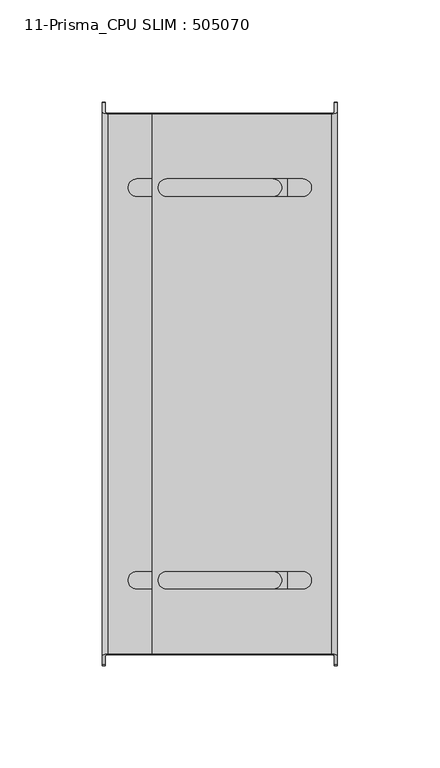
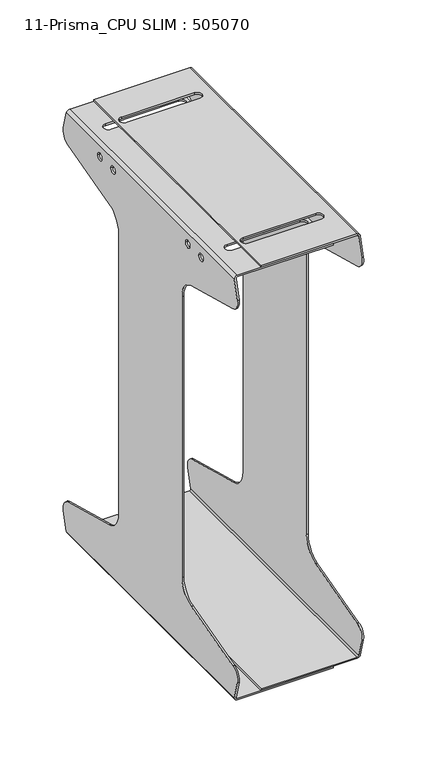
"""IFC4 building model written with IfcOpenShell, lengths in millimetres: furniture geometry, 11-Prisma_CPU SLIM : 505070."""

from ifc_helpers import new_model, si_unit, frame, origin, place, context, project, spatial, polyline, circle_curve, ellipse_curve, source, transform, mapped, element, save
from ifc_brep_helpers import plane_surface, cylinder_surface, revolved_surface, advanced_brep


def furniture_11_prisma_cpu_slim_505070_f786727c(model_context):
    return source(origin(), model_context, "Body", "AdvancedBrep", [
        advanced_brep(
        [(74.75, -132.7653718, 408.5), (74.75, -137.4118095, 391.1592583), (74.75, -130.3407417, 378.9118095), (74.75, -64.8236191, 361.3565494), (74.75, -50.0, 342.0380329), (74.75, -50.0, 70.9619671), (74.75, -64.8236191, 51.6434506), (74.75, -130.3407417, 34.0881905), (74.75, -137.4118095, 21.8407417), (74.75, -132.7653718, 4.5), (74.75, 132.7653718, 4.5), (74.75, 137.4118095, 21.8407417), (74.75, 130.3407417, 34.0881905), (74.75, 64.8236191, 51.6434506), (74.75, 50.0, 70.9619671), (74.75, 50.0, 342.0380329), (74.75, 64.8236191, 361.3565494), (74.75, 130.3407417, 378.9118095), (74.75, 137.4118095, 391.1592583), (74.75, 132.7653718, 408.5), (74.75, 76.5, 398.0), (74.75, 83.5, 398.0), (74.75, 55.5, 398.0), (74.75, 62.5, 398.0), (74.75, -62.5, 398.0), (74.75, -55.5, 398.0), (74.75, -83.5, 398.0), (74.75, -76.5, 398.0), (71.75, -131.9615242, 1.5), (-15.75, -131.9615242, 1.5), (-15.75, 131.9615242, 1.5), (71.75, 131.9615242, 1.5), (-15.75, -132.363448, 3.0), (-15.75, 132.363448, 3.0), (71.75, -132.363448, 3.0), (71.75, 132.363448, 3.0), (73.25, -132.7653718, 4.5), (73.25, -137.4118095, 21.8407417), (73.25, -130.3407417, 34.0881905), (73.25, -64.8236191, 51.6434506), (73.25, -50.0, 70.9619671), (73.25, -50.0, 342.0380329), (73.25, -64.8236191, 361.3565494), (73.25, -130.3407417, 378.9118095), (73.25, -137.4118095, 391.1592583), (73.25, -132.7653718, 408.5), (73.25, 132.7653718, 408.5), (73.25, 137.4118095, 391.1592583), (73.25, 130.3407417, 378.9118095), (73.25, 64.8236191, 361.3565494), (73.25, 50.0, 342.0380329), (73.25, 50.0, 70.9619671), (73.25, 64.8236191, 51.6434506), (73.25, 130.3407417, 34.0881905), (73.25, 137.4118095, 21.8407417), (73.25, 132.7653718, 4.5), (73.25, 83.5, 398.0), (73.25, 76.5, 398.0), (73.25, 62.5, 398.0), (73.25, 55.5, 398.0), (73.25, -55.5, 398.0), (73.25, -62.5, 398.0), (73.25, -76.5, 398.0), (73.25, -83.5, 398.0), (71.75, -132.363448, 410.0), (-15.75, -132.363448, 410.0), (-15.75, 132.363448, 410.0), (71.75, 132.363448, 410.0), (-8.7, -91.75, 410.0), (-8.7, -100.25, 410.0), (57.8, -100.25, 410.0), (57.8, -91.75, 410.0), (-8.7, 100.25, 410.0), (-8.7, 91.75, 410.0), (57.8, 91.75, 410.0), (57.8, 100.25, 410.0), (-15.75, -131.9615242, 411.5), (-15.75, 131.9615242, 411.5), (71.75, -131.9615242, 411.5), (71.75, 131.9615242, 411.5), (57.8, -91.75, 411.5), (57.8, -100.25, 411.5), (-8.7, -100.25, 411.5), (-8.7, -91.75, 411.5), (57.8, 100.25, 411.5), (57.8, 91.75, 411.5), (-8.7, 91.75, 411.5), (-8.7, 100.25, 411.5)],
        [
            (0, 1),
            (1, 2, circle_curve(frame((74.75, -127.7525513, 388.5710678), z_axis=(1.0, 0.0, 0.0), x_axis=(0.0, 1.0, 0.0)), 10.0)),
            (2, 3),
            (3, 4, circle_curve(frame((74.75, -70.0, 342.0380329), z_axis=(-1.0, 0.0, 0.0), x_axis=(0.0, 1.0, 0.0)), 20.0)),
            (4, 5),
            (5, 6, circle_curve(frame((74.75, -70.0, 70.9619671), z_axis=(-1.0, 0.0, 0.0), x_axis=(0.0, 1.0, 0.0)), 20.0)),
            (6, 7),
            (7, 8, circle_curve(frame((74.75, -127.7525513, 24.4289322), z_axis=(1.0, 0.0, 0.0), x_axis=(0.0, 1.0, 0.0)), 10.0)),
            (8, 9),
            (9, 10),
            (10, 11),
            (11, 12, circle_curve(frame((74.75, 127.7525513, 24.4289322), z_axis=(1.0, 0.0, 0.0), x_axis=(0.0, 1.0, 0.0)), 10.0)),
            (12, 13),
            (13, 14, circle_curve(frame((74.75, 70.0, 70.9619671), z_axis=(-1.0, 0.0, 0.0), x_axis=(0.0, 1.0, 0.0)), 20.0)),
            (14, 15),
            (15, 16, circle_curve(frame((74.75, 70.0, 342.0380329), z_axis=(-1.0, 0.0, 0.0), x_axis=(0.0, 1.0, 0.0)), 20.0)),
            (16, 17),
            (17, 18, circle_curve(frame((74.75, 127.7525513, 388.5710678), z_axis=(1.0, 0.0, 0.0), x_axis=(0.0, 1.0, 0.0)), 10.0)),
            (18, 19),
            (19, 0),
            (20, 21, circle_curve(frame((74.75, 80.0, 398.0), z_axis=(-1.0, 0.0, 0.0), x_axis=(0.0, 1.0, 0.0)), 3.5)),
            (21, 20, circle_curve(frame((74.75, 80.0, 398.0), z_axis=(-1.0, 0.0, 0.0), x_axis=(0.0, 1.0, 0.0)), 3.5)),
            (22, 23, circle_curve(frame((74.75, 59.0, 398.0), z_axis=(-1.0, 0.0, 0.0), x_axis=(0.0, 1.0, 0.0)), 3.5)),
            (23, 22, circle_curve(frame((74.75, 59.0, 398.0), z_axis=(-1.0, 0.0, 0.0), x_axis=(0.0, 1.0, 0.0)), 3.5)),
            (24, 25, circle_curve(frame((74.75, -59.0, 398.0), z_axis=(-1.0, 0.0, 0.0), x_axis=(0.0, 1.0, 0.0)), 3.5)),
            (25, 24, circle_curve(frame((74.75, -59.0, 398.0), z_axis=(-1.0, 0.0, 0.0), x_axis=(0.0, 1.0, 0.0)), 3.5)),
            (26, 27, circle_curve(frame((74.75, -80.0, 398.0), z_axis=(-1.0, 0.0, 0.0), x_axis=(0.0, 1.0, 0.0)), 3.5)),
            (27, 26, circle_curve(frame((74.75, -80.0, 398.0), z_axis=(-1.0, 0.0, 0.0), x_axis=(0.0, 1.0, 0.0)), 3.5)),
            (28, 29),
            (29, 30),
            (30, 31),
            (31, 28),
            (29, 32),
            (32, 33),
            (33, 30),
            (32, 34),
            (34, 35),
            (35, 33),
            (36, 37),
            (37, 38, circle_curve(frame((73.25, -127.7525513, 24.4289322), z_axis=(-1.0, 0.0, 0.0), x_axis=(0.0, 1.0, 0.0)), 10.0)),
            (38, 39),
            (39, 40, circle_curve(frame((73.25, -70.0, 70.9619671), z_axis=(1.0, 0.0, 0.0), x_axis=(0.0, 1.0, 0.0)), 20.0)),
            (40, 41),
            (41, 42, circle_curve(frame((73.25, -70.0, 342.0380329), z_axis=(1.0, 0.0, 0.0), x_axis=(0.0, 1.0, 0.0)), 20.0)),
            (42, 43),
            (43, 44, circle_curve(frame((73.25, -127.7525513, 388.5710678), z_axis=(-1.0, 0.0, 0.0), x_axis=(0.0, 1.0, 0.0)), 10.0)),
            (44, 45),
            (45, 46),
            (46, 47),
            (47, 48, circle_curve(frame((73.25, 127.7525513, 388.5710678), z_axis=(-1.0, 0.0, 0.0), x_axis=(0.0, 1.0, 0.0)), 10.0)),
            (48, 49),
            (49, 50, circle_curve(frame((73.25, 70.0, 342.0380329), z_axis=(1.0, 0.0, 0.0), x_axis=(0.0, 1.0, 0.0)), 20.0)),
            (50, 51),
            (51, 52, circle_curve(frame((73.25, 70.0, 70.9619671), z_axis=(1.0, 0.0, 0.0), x_axis=(0.0, 1.0, 0.0)), 20.0)),
            (52, 53),
            (53, 54, circle_curve(frame((73.25, 127.7525513, 24.4289322), z_axis=(-1.0, 0.0, 0.0), x_axis=(0.0, 1.0, 0.0)), 10.0)),
            (54, 55),
            (55, 36),
            (56, 57, circle_curve(frame((73.25, 80.0, 398.0), z_axis=(1.0, 0.0, 0.0), x_axis=(0.0, 1.0, 0.0)), 3.5)),
            (57, 56, circle_curve(frame((73.25, 80.0, 398.0), z_axis=(1.0, 0.0, 0.0), x_axis=(0.0, 1.0, 0.0)), 3.5)),
            (58, 59, circle_curve(frame((73.25, 59.0, 398.0), z_axis=(1.0, 0.0, 0.0), x_axis=(0.0, 1.0, 0.0)), 3.5)),
            (59, 58, circle_curve(frame((73.25, 59.0, 398.0), z_axis=(1.0, 0.0, 0.0), x_axis=(0.0, 1.0, 0.0)), 3.5)),
            (60, 61, circle_curve(frame((73.25, -59.0, 398.0), z_axis=(1.0, 0.0, 0.0), x_axis=(0.0, 1.0, 0.0)), 3.5)),
            (61, 60, circle_curve(frame((73.25, -59.0, 398.0), z_axis=(1.0, 0.0, 0.0), x_axis=(0.0, 1.0, 0.0)), 3.5)),
            (62, 63, circle_curve(frame((73.25, -80.0, 398.0), z_axis=(1.0, 0.0, 0.0), x_axis=(0.0, 1.0, 0.0)), 3.5)),
            (63, 62, circle_curve(frame((73.25, -80.0, 398.0), z_axis=(1.0, 0.0, 0.0), x_axis=(0.0, 1.0, 0.0)), 3.5)),
            (64, 65),
            (65, 66),
            (66, 67),
            (67, 64),
            (68, 69, circle_curve(frame((-8.7, -96.0, 410.0), z_axis=(0.0, 0.0, 1.0), x_axis=(-1.0, 0.0, 0.0)), 4.25)),
            (69, 70),
            (70, 71, circle_curve(frame((57.8, -96.0, 410.0), z_axis=(0.0, 0.0, 1.0), x_axis=(-1.0, 0.0, 0.0)), 4.25)),
            (71, 68),
            (72, 73, circle_curve(frame((-8.7, 96.0, 410.0), z_axis=(0.0, 0.0, 1.0), x_axis=(-1.0, 0.0, 0.0)), 4.25)),
            (73, 74),
            (74, 75, circle_curve(frame((57.8, 96.0, 410.0), z_axis=(0.0, 0.0, 1.0), x_axis=(-1.0, 0.0, 0.0)), 4.25)),
            (75, 72),
            (65, 76),
            (76, 77),
            (77, 66),
            (76, 78),
            (78, 79),
            (79, 77),
            (80, 81, circle_curve(frame((57.8, -96.0, 411.5), z_axis=(0.0, 0.0, -1.0), x_axis=(-1.0, 0.0, 0.0)), 4.25)),
            (81, 82),
            (82, 83, circle_curve(frame((-8.7, -96.0, 411.5), z_axis=(0.0, 0.0, -1.0), x_axis=(-1.0, 0.0, 0.0)), 4.25)),
            (83, 80),
            (84, 85, circle_curve(frame((57.8, 96.0, 411.5), z_axis=(0.0, 0.0, -1.0), x_axis=(-1.0, 0.0, 0.0)), 4.25)),
            (85, 86),
            (86, 87, circle_curve(frame((-8.7, 96.0, 411.5), z_axis=(0.0, 0.0, -1.0), x_axis=(-1.0, 0.0, 0.0)), 4.25)),
            (87, 84),
            (19, 79, ellipse_curve(frame((71.75, 132.7653718, 408.5), z_axis=(0.0, -0.965925826288784, -0.2588190451035821), x_axis=(0.0, -0.25881904510358156, 0.9659258262887841)), 3.1058285, 3.0)),
            (78, 0, ellipse_curve(frame((71.75, -132.7653718, 408.5), z_axis=(0.0, 0.9659258262887837, -0.25881904510358333), x_axis=(0.0, -0.2588190451035829, -0.9659258262887835)), 3.1058285, 3.0)),
            (31, 10, ellipse_curve(frame((71.75, 132.7653718, 4.5), z_axis=(0.0, -0.9659258262890726, 0.25881904510250486), x_axis=(0.0, -0.2588190451025042, -0.9659258262890728)), 3.1058285, 3.0)),
            (9, 28, ellipse_curve(frame((71.75, -132.7653718, 4.5), z_axis=(0.0, 0.9659258262890739, 0.2588190451024999), x_axis=(0.0, -0.25881904510250003, 0.9659258262890736)), 3.1058285, 3.0)),
            (55, 35, ellipse_curve(frame((71.75, 132.7653718, 4.5), z_axis=(0.0, 0.9659258262890726, -0.25881904510250486), x_axis=(0.0, 0.2588190451025042, 0.9659258262890728)), 1.5529143, 1.5)),
            (34, 36, ellipse_curve(frame((71.75, -132.7653718, 4.5), z_axis=(0.0, -0.9659258262890739, -0.2588190451024999), x_axis=(0.0, 0.25881904510250003, -0.9659258262890736)), 1.5529143, 1.5)),
            (67, 46, ellipse_curve(frame((71.75, 132.7653718, 408.5), z_axis=(0.0, 0.965925826288784, 0.2588190451035821), x_axis=(0.0, 0.25881904510358156, -0.9659258262887841)), 1.5529143, 1.5)),
            (45, 64, ellipse_curve(frame((71.75, -132.7653718, 408.5), z_axis=(0.0, -0.9659258262887837, 0.25881904510358333), x_axis=(0.0, 0.2588190451035829, 0.9659258262887835)), 1.5529143, 1.5)),
            (8, 37),
            (7, 38),
            (6, 39),
            (5, 40),
            (4, 41),
            (3, 42),
            (2, 43),
            (1, 44),
            (18, 47),
            (17, 48),
            (16, 49),
            (15, 50),
            (14, 51),
            (13, 52),
            (12, 53),
            (11, 54),
            (21, 56),
            (57, 20),
            (23, 58),
            (59, 22),
            (25, 60),
            (61, 24),
            (27, 62),
            (63, 26),
            (71, 80),
            (83, 68),
            (70, 81),
            (69, 82),
            (75, 84),
            (87, 72),
            (74, 85),
            (73, 86),
        ],
        [
            plane_surface(frame((74.75, -140.0, 408.5), z_axis=(1.0, 0.0, 0.0), x_axis=(0.0, 1.0, 0.0))),
            plane_surface(frame((71.75, -140.0, 1.5), z_axis=(0.0, 0.0, -1.0), x_axis=(0.0, 1.0, 0.0))),
            plane_surface(frame((-15.75, -140.0, 1.5), z_axis=(-1.0, 0.0, 0.0), x_axis=(0.0, 1.0, 0.0))),
            plane_surface(frame((-15.75, -140.0, 3.0), z_axis=(0.0, 0.0, 1.0), x_axis=(0.0, 1.0, 0.0))),
            plane_surface(frame((73.25, -140.0, 4.5), z_axis=(-1.0, 0.0, 0.0), x_axis=(0.0, 1.0, 0.0))),
            plane_surface(frame((71.75, -140.0, 410.0), z_axis=(0.0, 0.0, -1.0), x_axis=(0.0, 1.0, 0.0))),
            plane_surface(frame((-15.75, -140.0, 410.0), z_axis=(-1.0, 0.0, 0.0), x_axis=(0.0, 1.0, 0.0))),
            plane_surface(frame((-15.75, -140.0, 411.5), z_axis=(0.0, 0.0, 1.0), x_axis=(0.0, 1.0, 0.0))),
            cylinder_surface(frame((71.75, 140.0, 408.5), z_axis=(0.0, -1.0, 0.0), x_axis=(-1.0, 0.0, 0.0)), 3.0),
            cylinder_surface(frame((71.75, 140.0, 4.5), z_axis=(0.0, -1.0, 0.0), x_axis=(-1.0, 0.0, 0.0)), 3.0),
            revolved_surface(polyline([(70.25, 133.16729559625202, 4.5), (70.25, -133.16729559625202, 4.5)]), (71.75, 140.0, 4.5), (0.0, 1.0, 0.0)),
            revolved_surface(polyline([(70.25, 133.1672955962537, 408.5), (70.25, -133.16729559625372, 408.5)]), (71.75, 140.0, 408.5), (0.0, 1.0, 0.0)),
            plane_surface(frame((-175.25, -131.9615242, 1.5), z_axis=(0.0, -0.9659258262890739, -0.2588190451024999), x_axis=(1.0, 0.0, 0.0))),
            cylinder_surface(frame((74.75, -127.7525513, 24.4289322), z_axis=(1.0, 0.0, 0.0), x_axis=(0.0, 1.0, 0.0)), 10.0),
            plane_surface(frame((-175.25, -130.3407417, 34.0881905), z_axis=(0.0, -0.25881904510250414, 0.9659258262890728), x_axis=(1.0, 0.0, 0.0))),
            revolved_surface(polyline([(73.25, -50.0, 70.9619671), (74.75, -50.0, 70.9619671)]), (74.75, -70.0, 70.9619671), (-1.0, 0.0, 0.0)),
            plane_surface(frame((-175.25, -50.0, 70.9619671), z_axis=(0.0, -1.0, 0.0), x_axis=(1.0, 0.0, 0.0))),
            revolved_surface(polyline([(73.25, -50.0, 342.0380329), (74.75, -50.0, 342.0380329)]), (74.75, -70.0, 342.0380329), (-1.0, 0.0, 0.0)),
            plane_surface(frame((-175.25, -64.8236191, 361.3565494), z_axis=(0.0, -0.25881904510254405, -0.9659258262890621), x_axis=(1.0, 0.0, 0.0))),
            cylinder_surface(frame((74.75, -127.7525513, 388.5710678), z_axis=(1.0, 0.0, 0.0), x_axis=(0.0, 1.0, 0.0)), 10.0),
            plane_surface(frame((-175.25, -137.4118095, 391.1592583), z_axis=(0.0, -0.9659258262887837, 0.25881904510358333), x_axis=(1.0, 0.0, 0.0))),
            plane_surface(frame((-175.25, 131.9615242, 411.5), z_axis=(0.0, 0.965925826288784, 0.2588190451035821), x_axis=(1.0, 0.0, 0.0))),
            cylinder_surface(frame((74.75, 127.7525513, 388.5710678), z_axis=(1.0, 0.0, 0.0), x_axis=(0.0, 1.0, 0.0)), 10.0),
            plane_surface(frame((-175.25, 130.3407417, 378.9118095), z_axis=(0.0, 0.2588190451024879, -0.9659258262890772), x_axis=(1.0, 0.0, 0.0))),
            revolved_surface(polyline([(73.25, 90.0, 342.0380329), (74.75, 90.0, 342.0380329)]), (74.75, 70.0, 342.0380329), (-1.0, 0.0, 0.0)),
            plane_surface(frame((-175.25, 50.0, 342.0380329), z_axis=(0.0, 1.0, 0.0), x_axis=(1.0, 0.0, 0.0))),
            revolved_surface(polyline([(73.25, 90.0, 70.9619671), (74.75, 90.0, 70.9619671)]), (74.75, 70.0, 70.9619671), (-1.0, 0.0, 0.0)),
            plane_surface(frame((-175.25, 64.8236191, 51.6434506), z_axis=(0.0, 0.2588190451025043, 0.9659258262890728), x_axis=(1.0, 0.0, 0.0))),
            cylinder_surface(frame((74.75, 127.7525513, 24.4289322), z_axis=(1.0, 0.0, 0.0), x_axis=(0.0, 1.0, 0.0)), 10.0),
            plane_surface(frame((-175.25, 137.4118095, 21.8407417), z_axis=(0.0, 0.9659258262890726, -0.25881904510250486), x_axis=(1.0, 0.0, 0.0))),
            revolved_surface(polyline([(73.25, 83.5, 398.0), (74.75, 83.5, 398.0)]), (74.75, 80.0, 398.0), (-1.0, 0.0, 0.0)),
            revolved_surface(polyline([(73.25, 62.5, 398.0), (74.75, 62.5, 398.0)]), (74.75, 59.0, 398.0), (-1.0, 0.0, 0.0)),
            revolved_surface(polyline([(73.25, -55.5, 398.0), (74.75, -55.5, 398.0)]), (74.75, -59.0, 398.0), (-1.0, 0.0, 0.0)),
            revolved_surface(polyline([(73.25, -76.5, 398.0), (74.75, -76.5, 398.0)]), (74.75, -80.0, 398.0), (-1.0, 0.0, 0.0)),
            plane_surface(frame((-8.7, -91.75, 431.5), z_axis=(0.0, -1.0, 0.0), x_axis=(0.0, 0.0, -1.0))),
            revolved_surface(polyline([(53.55, -96.0, 411.5), (53.55, -96.0, 410.0)]), (57.8, -96.0, 391.5), (0.0, 0.0, 1.0)),
            plane_surface(frame((57.8, -100.25, 431.5), z_axis=(0.0, 1.0, 0.0), x_axis=(0.0, 0.0, -1.0))),
            revolved_surface(polyline([(-12.95, -96.0, 411.5), (-12.95, -96.0, 410.0)]), (-8.7, -96.0, 391.5), (0.0, 0.0, 1.0)),
            plane_surface(frame((-8.7, 100.25, 431.5), z_axis=(0.0, -1.0, 0.0), x_axis=(0.0, 0.0, -1.0))),
            revolved_surface(polyline([(53.55, 96.0, 411.5), (53.55, 96.0, 410.0)]), (57.8, 96.0, 1.5), (0.0, 0.0, 1.0)),
            plane_surface(frame((57.8, 91.75, 431.5), z_axis=(0.0, 1.0, 0.0), x_axis=(0.0, 0.0, -1.0))),
            revolved_surface(polyline([(-12.95, 96.0, 411.5), (-12.95, 96.0, 410.0)]), (-8.7, 96.0, 1.5), (0.0, 0.0, 1.0)),
        ],
        [
            (0, [[1, 2, 3, 4, 5, 6, 7, 8, 9, 10, 11, 12, 13, 14, 15, 16, 17, 18, 19, 20], [21, 22], [23, 24], [25, 26], [27, 28]]),
            (1, [[29, 30, 31, 32]]),
            (2, [[33, 34, 35, -30]]),
            (3, [[36, 37, 38, -34]]),
            (4, [[39, 40, 41, 42, 43, 44, 45, 46, 47, 48, 49, 50, 51, 52, 53, 54, 55, 56, 57, 58], [59, 60], [61, 62], [63, 64], [65, 66]]),
            (5, [[67, 68, 69, 70], [71, 72, 73, 74], [75, 76, 77, 78]]),
            (6, [[79, 80, 81, -68]]),
            (7, [[82, 83, 84, -80], [85, 86, 87, 88], [89, 90, 91, 92]]),
            (8, [[93, -83, 94, -20]]),
            (9, [[95, -10, 96, -32]]),
            (10, [[97, -37, 98, -58]]),
            (11, [[99, -48, 100, -70]]),
            (12, [[-39, -98, -36, -33, -29, -96, -9, 101]]),
            (13, [[-8, 102, -40, -101]]),
            (14, [[-7, 103, -41, -102]]),
            (15, [[-6, 104, -42, -103]]),
            (16, [[-5, 105, -43, -104]]),
            (17, [[-4, 106, -44, -105]]),
            (18, [[-3, 107, -45, -106]]),
            (19, [[-2, 108, -46, -107]]),
            (20, [[-1, -94, -82, -79, -67, -100, -47, -108]]),
            (21, [[-49, -99, -69, -81, -84, -93, -19, 109]]),
            (22, [[-18, 110, -50, -109]]),
            (23, [[-17, 111, -51, -110]]),
            (24, [[-16, 112, -52, -111]]),
            (25, [[-15, 113, -53, -112]]),
            (26, [[-14, 114, -54, -113]]),
            (27, [[-13, 115, -55, -114]]),
            (28, [[-12, 116, -56, -115]]),
            (29, [[-11, -95, -31, -35, -38, -97, -57, -116]]),
            (30, [[-22, 117, -60, 118]]),
            (30, [[-59, -117, -21, -118]]),
            (31, [[-24, 119, -62, 120]]),
            (31, [[-61, -119, -23, -120]]),
            (32, [[-26, 121, -64, 122]]),
            (32, [[-63, -121, -25, -122]]),
            (33, [[-28, 123, -66, 124]]),
            (33, [[-65, -123, -27, -124]]),
            (34, [[-74, 125, -88, 126]]),
            (35, [[-73, 127, -85, -125]]),
            (36, [[-72, 128, -86, -127]]),
            (37, [[-87, -128, -71, -126]]),
            (38, [[-78, 129, -92, 130]]),
            (39, [[-77, 131, -89, -129]]),
            (40, [[-76, 132, -90, -131]]),
            (41, [[-91, -132, -75, -130]]),
        ],
    ),
        advanced_brep(
        [(-40.25, -132.7653718, 407.0), (-40.25, 132.7653718, 407.0), (-40.25, 137.4118095, 389.6592583), (-40.25, 130.3407417, 377.4118095), (-40.25, 64.8236191, 359.8565494), (-40.25, 50.0, 340.5380329), (-40.25, 50.0, 69.4619671), (-40.25, 64.8236191, 50.1434506), (-40.25, 130.3407417, 32.5881905), (-40.25, 137.4118095, 20.3407417), (-40.25, 132.7653718, 3.0), (-40.25, -132.7653718, 3.0), (-40.25, -137.4118095, 20.3407417), (-40.25, -130.3407417, 32.5881905), (-40.25, -64.8236191, 50.1434506), (-40.25, -50.0, 69.4619671), (-40.25, -50.0, 340.5380329), (-40.25, -64.8236191, 359.8565494), (-40.25, -130.3407417, 377.4118095), (-40.25, -137.4118095, 389.6592583), (-40.25, 76.5, 396.5), (-40.25, 83.5, 396.5), (-40.25, 55.5, 396.5), (-40.25, 62.5, 396.5), (-40.25, -62.5, 396.5), (-40.25, -55.5, 396.5), (-40.25, -83.5, 396.5), (-40.25, -76.5, 396.5), (-37.25, -131.9615242, 0.0), (-37.25, 131.9615242, 0.0), (50.25, 131.9615242, 0.0), (50.25, -131.9615242, 0.0), (50.25, 132.363448, 1.5), (50.25, -132.363448, 1.5), (-37.25, 132.363448, 1.5), (-37.25, -132.363448, 1.5), (-38.75, -132.7653718, 3.0), (-38.75, 132.7653718, 3.0), (-38.75, 137.4118095, 20.3407417), (-38.75, 130.3407417, 32.5881905), (-38.75, 64.8236191, 50.1434506), (-38.75, 50.0, 69.4619671), (-38.75, 50.0, 340.5380329), (-38.75, 64.8236191, 359.8565494), (-38.75, 130.3407417, 377.4118095), (-38.75, 137.4118095, 389.6592583), (-38.75, 132.7653718, 407.0), (-38.75, -132.7653718, 407.0), (-38.75, -137.4118095, 389.6592583), (-38.75, -130.3407417, 377.4118095), (-38.75, -64.8236191, 359.8565494), (-38.75, -50.0, 340.5380329), (-38.75, -50.0, 69.4619671), (-38.75, -64.8236191, 50.1434506), (-38.75, -130.3407417, 32.5881905), (-38.75, -137.4118095, 20.3407417), (-38.75, 83.5, 396.5), (-38.75, 76.5, 396.5), (-38.75, 62.5, 396.5), (-38.75, 55.5, 396.5), (-38.75, -55.5, 396.5), (-38.75, -62.5, 396.5), (-38.75, -76.5, 396.5), (-38.75, -83.5, 396.5), (-37.25, -132.363448, 408.5), (-37.25, 132.363448, 408.5), (50.25, 132.363448, 408.5), (50.25, -132.363448, 408.5), (43.2, -91.75, 408.5), (-23.3, -91.75, 408.5), (-23.3, -100.25, 408.5), (43.2, -100.25, 408.5), (43.2, 100.25, 408.5), (-23.3, 100.25, 408.5), (-23.3, 91.75, 408.5), (43.2, 91.75, 408.5), (50.25, 131.9615242, 410.0), (50.25, -131.9615242, 410.0), (-37.25, 131.9615242, 410.0), (-37.25, -131.9615242, 410.0), (-23.3, -91.75, 410.0), (43.2, -91.75, 410.0), (43.2, -100.25, 410.0), (-23.3, -100.25, 410.0), (-23.3, 100.25, 410.0), (43.2, 100.25, 410.0), (43.2, 91.75, 410.0), (-23.3, 91.75, 410.0)],
        [
            (0, 1),
            (1, 2),
            (2, 3, circle_curve(frame((-40.25, 127.7525513, 387.0710678), z_axis=(-1.0, 0.0, 0.0), x_axis=(0.0, 1.0, 0.0)), 10.0)),
            (3, 4),
            (4, 5, circle_curve(frame((-40.25, 70.0, 340.5380329), z_axis=(1.0, 0.0, 0.0), x_axis=(0.0, 1.0, 0.0)), 20.0)),
            (5, 6),
            (6, 7, circle_curve(frame((-40.25, 70.0, 69.4619671), z_axis=(1.0, 0.0, 0.0), x_axis=(0.0, 1.0, 0.0)), 20.0)),
            (7, 8),
            (8, 9, circle_curve(frame((-40.25, 127.7525513, 22.9289322), z_axis=(-1.0, 0.0, 0.0), x_axis=(0.0, 1.0, 0.0)), 10.0)),
            (9, 10),
            (10, 11),
            (11, 12),
            (12, 13, circle_curve(frame((-40.25, -127.7525513, 22.9289322), z_axis=(-1.0, 0.0, 0.0), x_axis=(0.0, 1.0, 0.0)), 10.0)),
            (13, 14),
            (14, 15, circle_curve(frame((-40.25, -70.0, 69.4619671), z_axis=(1.0, 0.0, 0.0), x_axis=(0.0, 1.0, 0.0)), 20.0)),
            (15, 16),
            (16, 17, circle_curve(frame((-40.25, -70.0, 340.5380329), z_axis=(1.0, 0.0, 0.0), x_axis=(0.0, 1.0, 0.0)), 20.0)),
            (17, 18),
            (18, 19, circle_curve(frame((-40.25, -127.7525513, 387.0710678), z_axis=(-1.0, 0.0, 0.0), x_axis=(0.0, 1.0, 0.0)), 10.0)),
            (19, 0),
            (20, 21, circle_curve(frame((-40.25, 80.0, 396.5), z_axis=(1.0, 0.0, 0.0), x_axis=(0.0, 1.0, 0.0)), 3.5)),
            (21, 20, circle_curve(frame((-40.25, 80.0, 396.5), z_axis=(1.0, 0.0, 0.0), x_axis=(0.0, 1.0, 0.0)), 3.5)),
            (22, 23, circle_curve(frame((-40.25, 59.0, 396.5), z_axis=(1.0, 0.0, 0.0), x_axis=(0.0, 1.0, 0.0)), 3.5)),
            (23, 22, circle_curve(frame((-40.25, 59.0, 396.5), z_axis=(1.0, 0.0, 0.0), x_axis=(0.0, 1.0, 0.0)), 3.5)),
            (24, 25, circle_curve(frame((-40.25, -59.0, 396.5), z_axis=(1.0, 0.0, 0.0), x_axis=(0.0, 1.0, 0.0)), 3.5)),
            (25, 24, circle_curve(frame((-40.25, -59.0, 396.5), z_axis=(1.0, 0.0, 0.0), x_axis=(0.0, 1.0, 0.0)), 3.5)),
            (26, 27, circle_curve(frame((-40.25, -80.0, 396.5), z_axis=(1.0, 0.0, 0.0), x_axis=(0.0, 1.0, 0.0)), 3.5)),
            (27, 26, circle_curve(frame((-40.25, -80.0, 396.5), z_axis=(1.0, 0.0, 0.0), x_axis=(0.0, 1.0, 0.0)), 3.5)),
            (28, 29),
            (29, 30),
            (30, 31),
            (31, 28),
            (30, 32),
            (32, 33),
            (33, 31),
            (32, 34),
            (34, 35),
            (35, 33),
            (36, 37),
            (37, 38),
            (38, 39, circle_curve(frame((-38.75, 127.7525513, 22.9289322), z_axis=(1.0, 0.0, 0.0), x_axis=(0.0, 1.0, 0.0)), 10.0)),
            (39, 40),
            (40, 41, circle_curve(frame((-38.75, 70.0, 69.4619671), z_axis=(-1.0, 0.0, 0.0), x_axis=(0.0, 1.0, 0.0)), 20.0)),
            (41, 42),
            (42, 43, circle_curve(frame((-38.75, 70.0, 340.5380329), z_axis=(-1.0, 0.0, 0.0), x_axis=(0.0, 1.0, 0.0)), 20.0)),
            (43, 44),
            (44, 45, circle_curve(frame((-38.75, 127.7525513, 387.0710678), z_axis=(1.0, 0.0, 0.0), x_axis=(0.0, 1.0, 0.0)), 10.0)),
            (45, 46),
            (46, 47),
            (47, 48),
            (48, 49, circle_curve(frame((-38.75, -127.7525513, 387.0710678), z_axis=(1.0, 0.0, 0.0), x_axis=(0.0, 1.0, 0.0)), 10.0)),
            (49, 50),
            (50, 51, circle_curve(frame((-38.75, -70.0, 340.5380329), z_axis=(-1.0, 0.0, 0.0), x_axis=(0.0, 1.0, 0.0)), 20.0)),
            (51, 52),
            (52, 53, circle_curve(frame((-38.75, -70.0, 69.4619671), z_axis=(-1.0, 0.0, 0.0), x_axis=(0.0, 1.0, 0.0)), 20.0)),
            (53, 54),
            (54, 55, circle_curve(frame((-38.75, -127.7525513, 22.9289322), z_axis=(1.0, 0.0, 0.0), x_axis=(0.0, 1.0, 0.0)), 10.0)),
            (55, 36),
            (56, 57, circle_curve(frame((-38.75, 80.0, 396.5), z_axis=(-1.0, 0.0, 0.0), x_axis=(0.0, 1.0, 0.0)), 3.5)),
            (57, 56, circle_curve(frame((-38.75, 80.0, 396.5), z_axis=(-1.0, 0.0, 0.0), x_axis=(0.0, 1.0, 0.0)), 3.5)),
            (58, 59, circle_curve(frame((-38.75, 59.0, 396.5), z_axis=(-1.0, 0.0, 0.0), x_axis=(0.0, 1.0, 0.0)), 3.5)),
            (59, 58, circle_curve(frame((-38.75, 59.0, 396.5), z_axis=(-1.0, 0.0, 0.0), x_axis=(0.0, 1.0, 0.0)), 3.5)),
            (60, 61, circle_curve(frame((-38.75, -59.0, 396.5), z_axis=(-1.0, 0.0, 0.0), x_axis=(0.0, 1.0, 0.0)), 3.5)),
            (61, 60, circle_curve(frame((-38.75, -59.0, 396.5), z_axis=(-1.0, 0.0, 0.0), x_axis=(0.0, 1.0, 0.0)), 3.5)),
            (62, 63, circle_curve(frame((-38.75, -80.0, 396.5), z_axis=(-1.0, 0.0, 0.0), x_axis=(0.0, 1.0, 0.0)), 3.5)),
            (63, 62, circle_curve(frame((-38.75, -80.0, 396.5), z_axis=(-1.0, 0.0, 0.0), x_axis=(0.0, 1.0, 0.0)), 3.5)),
            (64, 65),
            (65, 66),
            (66, 67),
            (67, 64),
            (68, 69),
            (69, 70, circle_curve(frame((-23.3, -96.0, 408.5), z_axis=(0.0, 0.0, 1.0), x_axis=(1.0, 0.0, 0.0)), 4.25)),
            (70, 71),
            (71, 68, circle_curve(frame((43.2, -96.0, 408.5), z_axis=(0.0, 0.0, 1.0), x_axis=(1.0, 0.0, 0.0)), 4.25)),
            (72, 73),
            (73, 74, circle_curve(frame((-23.3, 96.0, 408.5), z_axis=(0.0, 0.0, 1.0), x_axis=(1.0, 0.0, 0.0)), 4.25)),
            (74, 75),
            (75, 72, circle_curve(frame((43.2, 96.0, 408.5), z_axis=(0.0, 0.0, 1.0), x_axis=(1.0, 0.0, 0.0)), 4.25)),
            (66, 76),
            (76, 77),
            (77, 67),
            (76, 78),
            (78, 79),
            (79, 77),
            (80, 81),
            (81, 82, circle_curve(frame((43.2, -96.0, 410.0), z_axis=(0.0, 0.0, -1.0), x_axis=(1.0, 0.0, 0.0)), 4.25)),
            (82, 83),
            (83, 80, circle_curve(frame((-23.3, -96.0, 410.0), z_axis=(0.0, 0.0, -1.0), x_axis=(1.0, 0.0, 0.0)), 4.25)),
            (84, 85),
            (85, 86, circle_curve(frame((43.2, 96.0, 410.0), z_axis=(0.0, 0.0, -1.0), x_axis=(1.0, 0.0, 0.0)), 4.25)),
            (86, 87),
            (87, 84, circle_curve(frame((-23.3, 96.0, 410.0), z_axis=(0.0, 0.0, -1.0), x_axis=(1.0, 0.0, 0.0)), 4.25)),
            (0, 79, ellipse_curve(frame((-37.25, -132.7653718, 407.0), z_axis=(0.0, 0.9659258262887837, -0.25881904510358333), x_axis=(0.0, -0.2588190451035829, -0.9659258262887835)), 3.1058285, 3.0)),
            (78, 1, ellipse_curve(frame((-37.25, 132.7653718, 407.0), z_axis=(0.0, -0.965925826288784, -0.2588190451035821), x_axis=(0.0, -0.25881904510358156, 0.9659258262887841)), 3.1058285, 3.0)),
            (28, 11, ellipse_curve(frame((-37.25, -132.7653718, 3.0), z_axis=(0.0, 0.9659258262890739, 0.2588190451024999), x_axis=(0.0, -0.25881904510250003, 0.9659258262890736)), 3.1058285, 3.0)),
            (10, 29, ellipse_curve(frame((-37.25, 132.7653718, 3.0), z_axis=(0.0, -0.9659258262890726, 0.25881904510250486), x_axis=(0.0, -0.2588190451025042, -0.9659258262890728)), 3.1058285, 3.0)),
            (36, 35, ellipse_curve(frame((-37.25, -132.7653718, 3.0), z_axis=(0.0, -0.9659258262890739, -0.2588190451024999), x_axis=(0.0, 0.25881904510250003, -0.9659258262890736)), 1.5529143, 1.5)),
            (34, 37, ellipse_curve(frame((-37.25, 132.7653718, 3.0), z_axis=(0.0, 0.9659258262890726, -0.25881904510250486), x_axis=(0.0, 0.2588190451025042, 0.9659258262890728)), 1.5529143, 1.5)),
            (64, 47, ellipse_curve(frame((-37.25, -132.7653718, 407.0), z_axis=(0.0, -0.9659258262887837, 0.25881904510358333), x_axis=(0.0, 0.2588190451035829, 0.9659258262887835)), 1.5529143, 1.5)),
            (46, 65, ellipse_curve(frame((-37.25, 132.7653718, 407.0), z_axis=(0.0, 0.965925826288784, 0.2588190451035821), x_axis=(0.0, 0.25881904510358156, -0.9659258262887841)), 1.5529143, 1.5)),
            (55, 12),
            (54, 13),
            (53, 14),
            (52, 15),
            (51, 16),
            (50, 17),
            (49, 18),
            (48, 19),
            (45, 2),
            (44, 3),
            (43, 4),
            (42, 5),
            (41, 6),
            (40, 7),
            (39, 8),
            (38, 9),
            (20, 57),
            (56, 21),
            (22, 59),
            (58, 23),
            (24, 61),
            (60, 25),
            (26, 63),
            (62, 27),
            (68, 81),
            (80, 69),
            (83, 70),
            (82, 71),
            (72, 85),
            (84, 73),
            (87, 74),
            (86, 75),
        ],
        [
            plane_surface(frame((-40.25, -140.0, 407.0), z_axis=(-1.0, 0.0, 0.0), x_axis=(0.0, 1.0, 0.0))),
            plane_surface(frame((-37.25, -140.0, 0.0), z_axis=(0.0, 0.0, -1.0), x_axis=(0.0, 1.0, 0.0))),
            plane_surface(frame((50.25, -140.0, 0.0), z_axis=(1.0, 0.0, 0.0), x_axis=(0.0, 1.0, 0.0))),
            plane_surface(frame((50.25, -140.0, 1.5), z_axis=(0.0, 0.0, 1.0), x_axis=(0.0, 1.0, 0.0))),
            plane_surface(frame((-38.75, -140.0, 3.0), z_axis=(1.0, 0.0, 0.0), x_axis=(0.0, 1.0, 0.0))),
            plane_surface(frame((-37.25, -140.0, 408.5), z_axis=(0.0, 0.0, -1.0), x_axis=(0.0, 1.0, 0.0))),
            plane_surface(frame((50.25, -140.0, 408.5), z_axis=(1.0, 0.0, 0.0), x_axis=(0.0, 1.0, 0.0))),
            plane_surface(frame((50.25, -140.0, 410.0), z_axis=(0.0, 0.0, 1.0), x_axis=(0.0, 1.0, 0.0))),
            cylinder_surface(frame((-37.25, 140.0, 407.0), z_axis=(0.0, -1.0, 0.0), x_axis=(1.0, 0.0, 0.0)), 3.0),
            cylinder_surface(frame((-37.25, 140.0, 3.0), z_axis=(0.0, -1.0, 0.0), x_axis=(1.0, 0.0, 0.0)), 3.0),
            revolved_surface(polyline([(-35.75, 133.16729559625202, 3.0), (-35.75, -133.16729559625202, 3.0)]), (-37.25, 140.0, 3.0), (0.0, 1.0, 0.0)),
            revolved_surface(polyline([(-35.75, 133.1672955962537, 407.0), (-35.75, -133.16729559625372, 407.0)]), (-37.25, 140.0, 407.0), (0.0, 1.0, 0.0)),
            plane_surface(frame((209.75, -131.9615242, 0.0), z_axis=(0.0, -0.9659258262890739, -0.2588190451024999), x_axis=(-1.0, 0.0, 0.0))),
            cylinder_surface(frame((-40.25, -127.7525513, 22.9289322), z_axis=(-1.0, 0.0, 0.0), x_axis=(0.0, 1.0, 0.0)), 10.0),
            plane_surface(frame((209.75, -130.3407417, 32.5881905), z_axis=(0.0, -0.25881904510250414, 0.9659258262890728), x_axis=(-1.0, 0.0, 0.0))),
            revolved_surface(polyline([(-38.75, -50.0, 69.4619671), (-40.25, -50.0, 69.4619671)]), (-40.25, -70.0, 69.4619671), (1.0, 0.0, 0.0)),
            plane_surface(frame((209.75, -50.0, 69.4619671), z_axis=(0.0, -1.0, 0.0), x_axis=(-1.0, 0.0, 0.0))),
            revolved_surface(polyline([(-38.75, -50.0, 340.5380329), (-40.25, -50.0, 340.5380329)]), (-40.25, -70.0, 340.5380329), (1.0, 0.0, 0.0)),
            plane_surface(frame((209.75, -64.8236191, 359.8565494), z_axis=(0.0, -0.25881904510254405, -0.9659258262890621), x_axis=(-1.0, 0.0, 0.0))),
            cylinder_surface(frame((-40.25, -127.7525513, 387.0710678), z_axis=(-1.0, 0.0, 0.0), x_axis=(0.0, 1.0, 0.0)), 10.0),
            plane_surface(frame((209.75, -137.4118095, 389.6592583), z_axis=(0.0, -0.9659258262887837, 0.25881904510358333), x_axis=(-1.0, 0.0, 0.0))),
            plane_surface(frame((209.75, 131.9615242, 410.0), z_axis=(0.0, 0.965925826288784, 0.2588190451035821), x_axis=(-1.0, 0.0, 0.0))),
            cylinder_surface(frame((-40.25, 127.7525513, 387.0710678), z_axis=(-1.0, 0.0, 0.0), x_axis=(0.0, 1.0, 0.0)), 10.0),
            plane_surface(frame((209.75, 130.3407417, 377.4118095), z_axis=(0.0, 0.2588190451024879, -0.9659258262890772), x_axis=(-1.0, 0.0, 0.0))),
            revolved_surface(polyline([(-38.75, 90.0, 340.5380329), (-40.25, 90.0, 340.5380329)]), (-40.25, 70.0, 340.5380329), (1.0, 0.0, 0.0)),
            plane_surface(frame((209.75, 50.0, 340.5380329), z_axis=(0.0, 1.0, 0.0), x_axis=(-1.0, 0.0, 0.0))),
            revolved_surface(polyline([(-38.75, 90.0, 69.4619671), (-40.25, 90.0, 69.4619671)]), (-40.25, 70.0, 69.4619671), (1.0, 0.0, 0.0)),
            plane_surface(frame((209.75, 64.8236191, 50.1434506), z_axis=(0.0, 0.2588190451025043, 0.9659258262890728), x_axis=(-1.0, 0.0, 0.0))),
            cylinder_surface(frame((-40.25, 127.7525513, 22.9289322), z_axis=(-1.0, 0.0, 0.0), x_axis=(0.0, 1.0, 0.0)), 10.0),
            plane_surface(frame((209.75, 137.4118095, 20.3407417), z_axis=(0.0, 0.9659258262890726, -0.25881904510250486), x_axis=(-1.0, 0.0, 0.0))),
            revolved_surface(polyline([(-38.75, 83.5, 396.5), (-40.25, 83.5, 396.5)]), (-40.25, 80.0, 396.5), (1.0, 0.0, 0.0)),
            revolved_surface(polyline([(-38.75, 62.5, 396.5), (-40.25, 62.5, 396.5)]), (-40.25, 59.0, 396.5), (1.0, 0.0, 0.0)),
            revolved_surface(polyline([(-38.75, -55.5, 396.5), (-40.25, -55.5, 396.5)]), (-40.25, -59.0, 396.5), (1.0, 0.0, 0.0)),
            revolved_surface(polyline([(-38.75, -76.5, 396.5), (-40.25, -76.5, 396.5)]), (-40.25, -80.0, 396.5), (1.0, 0.0, 0.0)),
            plane_surface(frame((43.2, -91.75, 430.0), z_axis=(0.0, -1.0, 0.0), x_axis=(0.0, 0.0, -1.0))),
            revolved_surface(polyline([(-19.05, -96.0, 410.0), (-19.05, -96.0, 408.5)]), (-23.3, -96.0, 390.0), (0.0, 0.0, 1.0)),
            plane_surface(frame((-23.3, -100.25, 430.0), z_axis=(0.0, 1.0, 0.0), x_axis=(0.0, 0.0, -1.0))),
            revolved_surface(polyline([(47.45, -96.0, 410.0), (47.45, -96.0, 408.5)]), (43.2, -96.0, 390.0), (0.0, 0.0, 1.0)),
            plane_surface(frame((43.2, 100.25, 430.0), z_axis=(0.0, -1.0, 0.0), x_axis=(0.0, 0.0, -1.0))),
            revolved_surface(polyline([(-19.05, 96.0, 410.0), (-19.05, 96.0, 408.5)]), (-23.3, 96.0, 0.0), (0.0, 0.0, 1.0)),
            plane_surface(frame((-23.3, 91.75, 430.0), z_axis=(0.0, 1.0, 0.0), x_axis=(0.0, 0.0, -1.0))),
            revolved_surface(polyline([(47.45, 96.0, 410.0), (47.45, 96.0, 408.5)]), (43.2, 96.0, 0.0), (0.0, 0.0, 1.0)),
        ],
        [
            (0, [[1, 2, 3, 4, 5, 6, 7, 8, 9, 10, 11, 12, 13, 14, 15, 16, 17, 18, 19, 20], [21, 22], [23, 24], [25, 26], [27, 28]]),
            (1, [[29, 30, 31, 32]]),
            (2, [[-31, 33, 34, 35]]),
            (3, [[-34, 36, 37, 38]]),
            (4, [[39, 40, 41, 42, 43, 44, 45, 46, 47, 48, 49, 50, 51, 52, 53, 54, 55, 56, 57, 58], [59, 60], [61, 62], [63, 64], [65, 66]]),
            (5, [[67, 68, 69, 70], [71, 72, 73, 74], [75, 76, 77, 78]]),
            (6, [[-69, 79, 80, 81]]),
            (7, [[-80, 82, 83, 84], [85, 86, 87, 88], [89, 90, 91, 92]]),
            (8, [[-1, 93, -83, 94]]),
            (9, [[-29, 95, -11, 96]]),
            (10, [[-39, 97, -37, 98]]),
            (11, [[-67, 99, -49, 100]]),
            (12, [[101, -12, -95, -32, -35, -38, -97, -58]]),
            (13, [[-101, -57, 102, -13]]),
            (14, [[-102, -56, 103, -14]]),
            (15, [[-103, -55, 104, -15]]),
            (16, [[-104, -54, 105, -16]]),
            (17, [[-105, -53, 106, -17]]),
            (18, [[-106, -52, 107, -18]]),
            (19, [[-107, -51, 108, -19]]),
            (20, [[-108, -50, -99, -70, -81, -84, -93, -20]]),
            (21, [[109, -2, -94, -82, -79, -68, -100, -48]]),
            (22, [[-109, -47, 110, -3]]),
            (23, [[-110, -46, 111, -4]]),
            (24, [[-111, -45, 112, -5]]),
            (25, [[-112, -44, 113, -6]]),
            (26, [[-113, -43, 114, -7]]),
            (27, [[-114, -42, 115, -8]]),
            (28, [[-115, -41, 116, -9]]),
            (29, [[-116, -40, -98, -36, -33, -30, -96, -10]]),
            (30, [[117, -59, 118, -21]]),
            (30, [[-117, -22, -118, -60]]),
            (31, [[119, -61, 120, -23]]),
            (31, [[-119, -24, -120, -62]]),
            (32, [[121, -63, 122, -25]]),
            (32, [[-121, -26, -122, -64]]),
            (33, [[123, -65, 124, -27]]),
            (33, [[-123, -28, -124, -66]]),
            (34, [[125, -85, 126, -71]]),
            (35, [[-126, -88, 127, -72]]),
            (36, [[-127, -87, 128, -73]]),
            (37, [[-125, -74, -128, -86]]),
            (38, [[129, -89, 130, -75]]),
            (39, [[-130, -92, 131, -76]]),
            (40, [[-131, -91, 132, -77]]),
            (41, [[-129, -78, -132, -90]]),
        ],
    ),
    ])


if __name__ == "__main__":
    model = new_model("IFC4")
    model_context = context("Model", 3, world=origin())
    ifc_project = project(units=[si_unit("LENGTHUNIT", "METRE", prefix="MILLI")], contexts=[model_context])
    site = spatial("IfcSite", under=ifc_project)
    building = spatial("IfcBuilding", under=site)
    placement = place(None, origin())
    furniture_11_prisma_cpu_slim_505070_shape = furniture_11_prisma_cpu_slim_505070_f786727c(model_context)
    element("IfcFurniture", 1, ObjectType="11-Prisma_CPU SLIM : 505070", at=placement, inside=building, context=model_context, shape_type="MappedRepresentation", body=[
        mapped(furniture_11_prisma_cpu_slim_505070_shape, transform((0.0, 0.0, 0.0), x_axis=(1.0, 0.0, 0.0), y_axis=(0.0, 1.0, 0.0), z_axis=(0.0, 0.0, 1.0))),
    ])
    save(model, "model.ifc")
